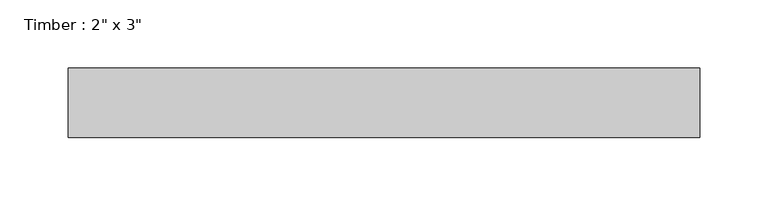
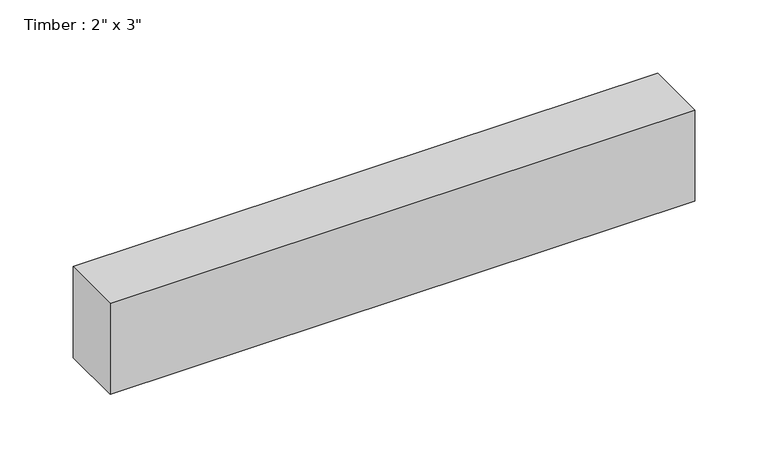
"""IFC4 building model written with IfcOpenShell, lengths in millimetres: beam geometry."""

from ifc_helpers import new_model, si_unit, frame, origin, place, context, project, spatial, polyline, outline, extrude, source, transform, mapped, element, save


def beam_fbdad393(model_context):
    return source(origin(), model_context, "Body", "SweptSolid", [
        extrude(outline(polyline([(230.6995407, -25.4), (-230.6995407, -25.4), (-230.6995407, 25.4), (230.6995407, 25.4), (230.6995407, -25.4)])), frame((0.0, 0.0, -38.1), z_axis=(0.0, 0.0, 1.0), x_axis=(1.0, 0.0, 0.0)), (0.0, 0.0, 1.0), 76.2),
    ])


if __name__ == "__main__":
    model = new_model("IFC4")
    model_context = context("Model", 3, world=origin())
    ifc_project = project(units=[si_unit("LENGTHUNIT", "METRE", prefix="MILLI")], contexts=[model_context])
    site = spatial("IfcSite", under=ifc_project)
    building = spatial("IfcBuilding", under=site)
    placement = place(None, origin())
    beam_shape = beam_fbdad393(model_context)
    element("IfcBeam", 1, ObjectType="Timber : 2\" x 3\"", at=placement, inside=building, context=model_context, shape_type="MappedRepresentation", body=[
        mapped(beam_shape, transform((0.0, 0.0, 0.0), x_axis=(1.0, 0.0, 0.0), y_axis=(0.0, 1.0, 0.0), z_axis=(0.0, 0.0, 1.0))),
    ])
    save(model, "model.ifc")
